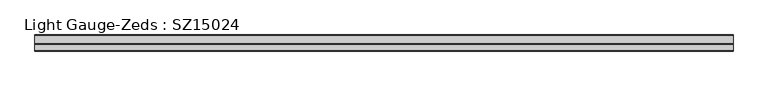
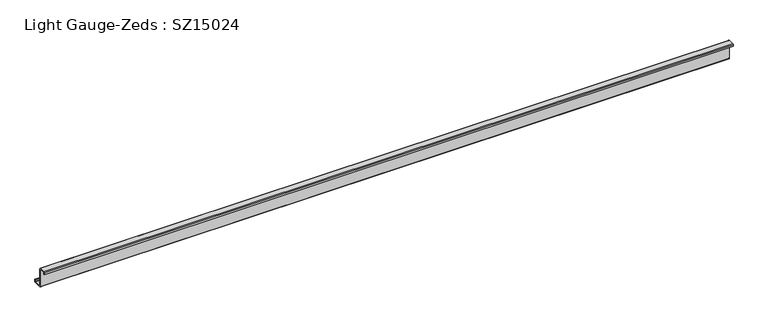
"""IFC4 building model written with IfcOpenShell, lengths in millimetres: beam geometry, Light Gauge-Zeds : SZ15024."""

from ifc_helpers import new_model, si_unit, point, frame, frame_2d, origin, place, context, project, spatial, polyline, circle_curve, trimmed, segment, composite_curve, outline, extrude, source, transform, mapped, element, save


def light_gauge_zeds_sz15024_eeba2fe7(model_context):
    return source(origin(), model_context, "Body", "SweptSolid", [
        extrude(outline(composite_curve([segment(polyline([(0.0, -71.6), (0.0, 71.6)]), True, "CONTINUOUS"), segment(trimmed(circle_curve(frame_2d((-2.0, 71.6)), 2.0), [point((0.0, 71.6))], [point((-2.0, 73.6))], True, "CARTESIAN"), True, "CONTINUOUS"), segment(polyline([(-2.0, 73.6), (-47.6, 73.6)]), True, "CONTINUOUS"), segment(trimmed(circle_curve(frame_2d((-47.6, 71.6)), 2.0), [point((-47.6, 73.6))], [point((-49.6, 71.6))], True, "CARTESIAN"), True, "CONTINUOUS"), segment(polyline([(-49.6, 71.6), (-49.6, 57.0), (-52.0, 57.0), (-52.0, 71.6)]), True, "CONTINUOUS"), segment(trimmed(circle_curve(frame_2d((-47.6, 71.6)), 4.4), [point((-52.0, 71.6))], [point((-47.6, 76.0))], False, "CARTESIAN"), True, "CONTINUOUS"), segment(polyline([(-47.6, 76.0), (-2.0, 76.0)]), True, "CONTINUOUS"), segment(trimmed(circle_curve(frame_2d((-2.0, 71.6)), 4.4), [point((-2.0, 76.0))], [point((2.4, 71.6))], False, "CARTESIAN"), True, "CONTINUOUS"), segment(polyline([(2.4, 71.6), (2.4, -71.6)]), True, "CONTINUOUS"), segment(trimmed(circle_curve(frame_2d((4.4, -71.6)), 2.0), [point((2.4, -71.6))], [point((4.4, -73.6))], True, "CARTESIAN"), True, "CONTINUOUS"), segment(polyline([(4.4, -73.6), (65.6, -73.6)]), True, "CONTINUOUS"), segment(trimmed(circle_curve(frame_2d((65.6, -71.6)), 2.0), [point((65.6, -73.6))], [point((67.6, -71.6))], True, "CARTESIAN"), True, "CONTINUOUS"), segment(polyline([(67.6, -71.6), (67.6, -56.0), (70.0, -56.0), (70.0, -71.6)]), True, "CONTINUOUS"), segment(trimmed(circle_curve(frame_2d((65.6, -71.6)), 4.4), [point((70.0, -71.6))], [point((65.6, -76.0))], False, "CARTESIAN"), True, "CONTINUOUS"), segment(polyline([(65.6, -76.0), (4.4, -76.0)]), True, "CONTINUOUS"), segment(trimmed(circle_curve(frame_2d((4.4, -71.6)), 4.4), [point((4.4, -76.0))], [point((0.0, -71.6))], False, "CARTESIAN"), True, "CONTINUOUS")], self_intersect=False)), frame((-2381.0, 0.0, 0.0), z_axis=(1.0, 0.0, 0.0), x_axis=(0.0, 1.0, 0.0)), (0.0, 0.0, 1.0), 5285.0),
    ])


if __name__ == "__main__":
    model = new_model("IFC4")
    model_context = context("Model", 3, world=origin())
    ifc_project = project(units=[si_unit("LENGTHUNIT", "METRE", prefix="MILLI")], contexts=[model_context])
    site = spatial("IfcSite", under=ifc_project)
    building = spatial("IfcBuilding", under=site)
    placement = place(None, origin())
    light_gauge_zeds_sz15024_shape = light_gauge_zeds_sz15024_eeba2fe7(model_context)
    element("IfcBeam", 1, ObjectType="Light Gauge-Zeds : SZ15024", at=placement, inside=building, context=model_context, shape_type="MappedRepresentation", body=[
        mapped(light_gauge_zeds_sz15024_shape, transform((0.0, 0.0, 0.0), x_axis=(1.0, 0.0, 0.0), y_axis=(0.0, 1.0, 0.0), z_axis=(0.0, 0.0, 1.0))),
    ])
    save(model, "model.ifc")
